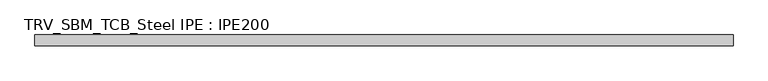
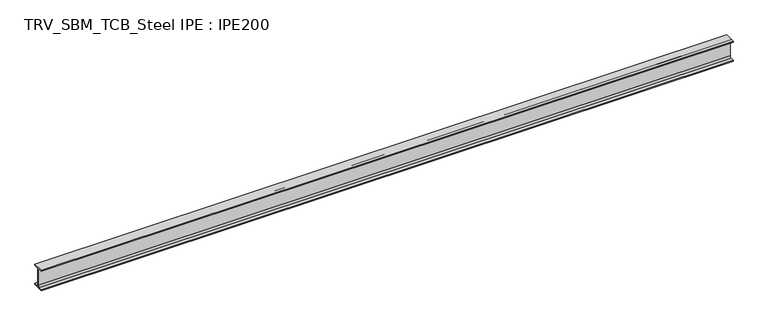
"""IFC4 building model written with IfcOpenShell, lengths in millimetres: beam geometry, TRV_SBM_TCB_Steel IPE : IPE200."""

from ifc_helpers import new_model, si_unit, point, frame, frame_2d, origin, place, context, project, spatial, polyline, circle_curve, trimmed, segment, composite_curve, outline, extrude, source, transform, mapped, element, save


def trv_sbm_tcb_steel_ipe_ipe200_1b564395(model_context):
    return source(origin(), model_context, "Body", "SweptSolid", [
        extrude(outline(composite_curve([segment(polyline([(-50.0, -89.3), (-18.55, -89.3)]), True, "CONTINUOUS"), segment(trimmed(circle_curve(frame_2d((-18.55, -74.3)), 15.0), [point((-18.55, -89.3))], [point((-3.55, -74.3))], True, "CARTESIAN"), True, "CONTINUOUS"), segment(polyline([(-3.55, -74.3), (-3.55, 74.3)]), True, "CONTINUOUS"), segment(trimmed(circle_curve(frame_2d((-18.55, 74.3)), 15.0), [point((-3.55, 74.3))], [point((-18.55, 89.3))], True, "CARTESIAN"), True, "CONTINUOUS"), segment(polyline([(-18.55, 89.3), (-50.0, 89.3), (-50.0, 100.0), (50.0, 100.0), (50.0, 89.3), (18.55, 89.3)]), True, "CONTINUOUS"), segment(trimmed(circle_curve(frame_2d((18.55, 74.3)), 15.0), [point((18.55, 89.3))], [point((3.55, 74.3))], True, "CARTESIAN"), True, "CONTINUOUS"), segment(polyline([(3.55, 74.3), (3.55, -74.3)]), True, "CONTINUOUS"), segment(trimmed(circle_curve(frame_2d((18.55, -74.3)), 15.0), [point((3.55, -74.3))], [point((18.55, -89.3))], True, "CARTESIAN"), True, "CONTINUOUS"), segment(polyline([(18.55, -89.3), (50.0, -89.3), (50.0, -100.0), (-50.0, -100.0), (-50.0, -89.3)]), True, "CONTINUOUS")], self_intersect=False)), frame((-3179.5, 0.0, 0.0), z_axis=(1.0, 0.0, 0.0), x_axis=(0.0, 1.0, 0.0)), (0.0, 0.0, 1.0), 6429.0),
    ])


if __name__ == "__main__":
    model = new_model("IFC4")
    model_context = context("Model", 3, world=origin())
    ifc_project = project(units=[si_unit("LENGTHUNIT", "METRE", prefix="MILLI")], contexts=[model_context])
    site = spatial("IfcSite", under=ifc_project)
    building = spatial("IfcBuilding", under=site)
    placement = place(None, origin())
    trv_sbm_tcb_steel_ipe_ipe200_shape = trv_sbm_tcb_steel_ipe_ipe200_1b564395(model_context)
    element("IfcBeam", 1, ObjectType="TRV_SBM_TCB_Steel IPE : IPE200", at=placement, inside=building, context=model_context, shape_type="MappedRepresentation", body=[
        mapped(trv_sbm_tcb_steel_ipe_ipe200_shape, transform((0.0, 0.0, 0.0), x_axis=(1.0, 0.0, 0.0), y_axis=(0.0, 1.0, 0.0), z_axis=(0.0, 0.0, 1.0))),
    ])
    save(model, "model.ifc")
